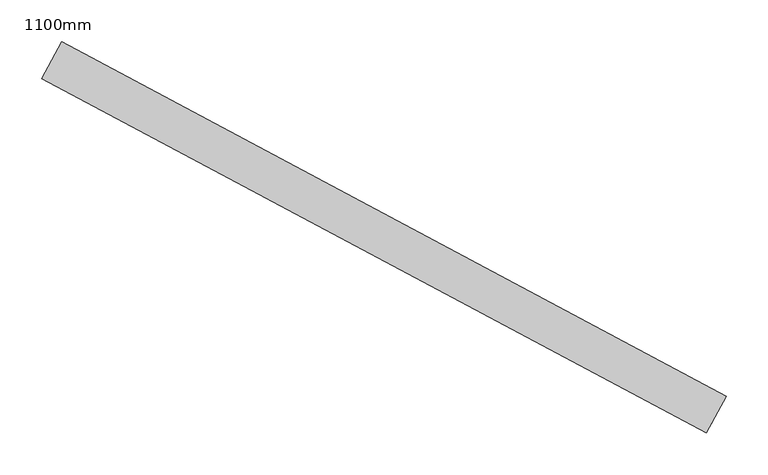
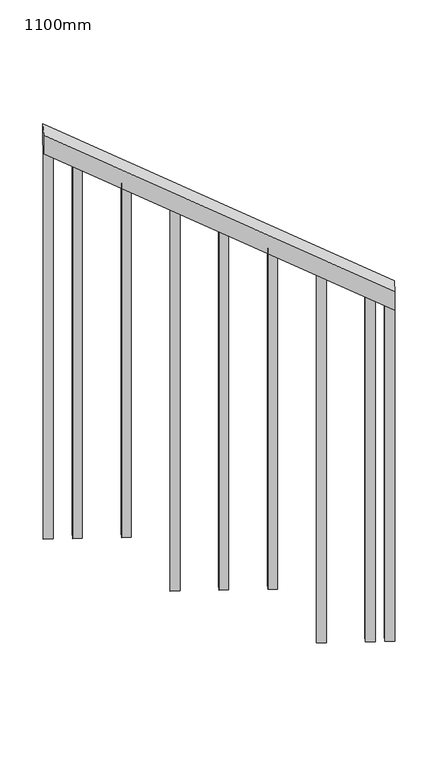
"""IFC4 building model written with IfcOpenShell, lengths in millimetres: railing geometry, 1100mm."""

from ifc_helpers import new_model, si_unit, frame, origin, place, context, project, spatial, polyline, outline, extrude, source, transform, mapped, element, save


def railing_1100mm_91350b33(model_context):
    return source(origin(), model_context, "Body", "SweptSolid", [
        extrude(outline(polyline([(-28.3332964, -50.0), (0.0, 0.0), (1034.457401, 0.0), (1006.1241047, -50.0), (-28.3332964, -50.0)])), frame((-170166.0963626, -43118.5668352, 1270.0), z_axis=(0.47075507003627687, 0.8822639423863703, 0.0), x_axis=(-0.767589447174636, 0.40956748497102025, 0.4930120848829671)), (0.0, 0.0, 1.0), 50.0),
        extrude(outline(polyline([(107.0833333, 0.0), (92.9166666, 24.9999999), (1262.9468678, 24.9999999), (1262.9468678, 0.0), (107.0833333, 0.0)])), frame((-170866.0230782, -42730.9344799, 1772.9468678), z_axis=(0.4707550700362768, 0.8822639423863703, 0.0), x_axis=(0.0, 0.0, -1.0)), (0.0, 0.0, 1.0), 25.0),
        extrude(outline(polyline([(107.0833333, 0.0), (92.9166667, 25.0), (1192.1135345, 25.0), (1192.1135345, 0.0), (107.0833333, 0.0)])), frame((-170755.7400854, -42789.7788637, 1702.1135345), z_axis=(0.4707550700362768, 0.8822639423863703, 0.0), x_axis=(0.0, 0.0, -1.0)), (0.0, 0.0, 1.0), 25.0),
        extrude(outline(polyline([(107.0833334, 0.0), (92.9166667, 24.9999999), (1291.2802012, 24.9999999), (1291.2802012, 0.0), (107.0833334, 0.0)])), frame((-170645.4570926, -42848.6232474, 1631.2802012), z_axis=(0.4707550700362768, 0.8822639423863703, 0.0), x_axis=(0.0, 0.0, -1.0)), (0.0, 0.0, 1.0), 25.0),
        extrude(outline(polyline([(107.0833333, 0.0), (92.9166666, 25.0), (1220.4468678, 25.0), (1220.4468678, 0.0), (107.0833333, 0.0)])), frame((-170535.1740998, -42907.4676312, 1560.4468678), z_axis=(0.4707550700362768, 0.8822639423863703, 0.0), x_axis=(0.0, 0.0, -1.0)), (0.0, 0.0, 1.0), 25.0),
        extrude(outline(polyline([(107.0833333, 0.0), (92.9166667, 24.9999999), (1149.6135345, 24.9999999), (1149.6135345, 0.0), (107.0833333, 0.0)])), frame((-170424.891107, -42966.3120149, 1489.6135345), z_axis=(0.4707550700362768, 0.8822639423863703, 0.0), x_axis=(0.0, 0.0, -1.0)), (0.0, 0.0, 1.0), 25.0),
        extrude(outline(polyline([(107.0833334, 0.0), (92.9166667, 25.0), (1248.7802012, 25.0), (1248.7802012, 0.0), (107.0833334, 0.0)])), frame((-170314.6081142, -43025.1563987, 1418.7802012), z_axis=(0.4707550700362768, 0.8822639423863703, 0.0), x_axis=(0.0, 0.0, -1.0)), (0.0, 0.0, 1.0), 25.0),
        extrude(outline(polyline([(107.0833333, 0.0), (92.9166666, 24.9999999), (1177.9468678, 24.9999999), (1177.9468678, 0.0), (107.0833333, 0.0)])), frame((-170204.3251214, -43084.0007824, 1347.9468678), z_axis=(0.4707550700362768, 0.8822639423863703, 0.0), x_axis=(0.0, 0.0, -1.0)), (0.0, 0.0, 1.0), 25.0),
        extrude(outline(polyline([(107.0833333, 0.0), (92.9166666, 24.9999999), (1305.4468678, 24.9999999), (1305.4468678, 0.0), (107.0833333, 0.0)])), frame((-170932.1939103, -42695.6272966, 1815.4468678), z_axis=(0.4707550700362768, 0.8822639423863703, 0.0), x_axis=(0.0, 0.0, -1.0)), (0.0, 0.0, 1.0), 25.0),
        extrude(outline(polyline([(107.0833333, 0.0), (92.9166667, 24.9999999), (1149.6135345, 24.9999999), (1149.6135345, 0.0), (107.0833333, 0.0)])), frame((-170160.2119243, -43107.5385359, 1319.6135345), z_axis=(0.4707550700362768, 0.8822639423863703, 0.0), x_axis=(0.0, 0.0, -1.0)), (0.0, 0.0, 1.0), 25.0),
    ])


if __name__ == "__main__":
    model = new_model("IFC4")
    model_context = context("Model", 3, world=origin())
    ifc_project = project(units=[si_unit("LENGTHUNIT", "METRE", prefix="MILLI")], contexts=[model_context])
    site = spatial("IfcSite", under=ifc_project)
    building = spatial("IfcBuilding", under=site)
    placement = place(None, origin())
    railing_1100mm_shape = railing_1100mm_91350b33(model_context)
    element("IfcRailing", 1, ObjectType="1100mm", at=placement, inside=building, context=model_context, shape_type="MappedRepresentation", body=[
        mapped(railing_1100mm_shape, transform((0.0, 0.0, 0.0), x_axis=(1.0, 0.0, 0.0), y_axis=(0.0, 1.0, 0.0), z_axis=(0.0, 0.0, 1.0))),
    ])
    save(model, "model.ifc")
